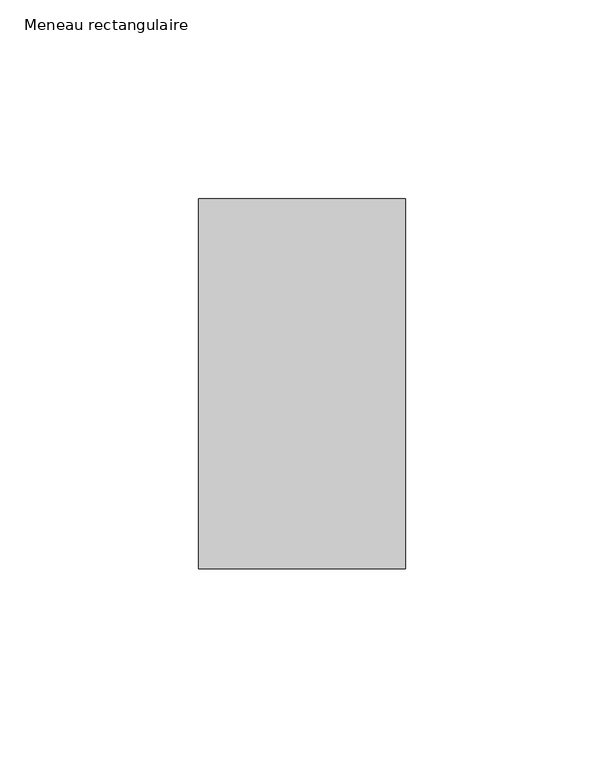
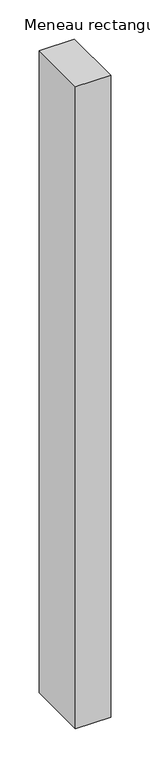
"""IFC4 building model written with IfcOpenShell, lengths in millimetres: member geometry, Meneau rectangulaire."""

from ifc_helpers import new_model, si_unit, frame, origin, place, context, project, spatial, polyline, outline, extrude, source, transform, mapped, element, save


def meneau_rectangulaire_8912769a(model_context):
    return source(origin(), model_context, "Body", "SweptSolid", [
        extrude(outline(polyline([(-52.0, 46.5), (0.0, 46.5), (0.0, -46.5), (-52.0, -46.5), (-52.0, 46.5)])), frame((0.0, 0.0, -1002.5497353), z_axis=(0.0, 0.0, 1.0), x_axis=(1.0, 0.0, 0.0)), (0.0, 0.0, 1.0), 1002.5497353),
    ])


if __name__ == "__main__":
    model = new_model("IFC4")
    model_context = context("Model", 3, world=origin())
    ifc_project = project(units=[si_unit("LENGTHUNIT", "METRE", prefix="MILLI")], contexts=[model_context])
    site = spatial("IfcSite", under=ifc_project)
    building = spatial("IfcBuilding", under=site)
    placement = place(None, origin())
    meneau_rectangulaire_shape = meneau_rectangulaire_8912769a(model_context)
    element("IfcMember", 1, ObjectType="Meneau rectangulaire", at=placement, inside=building, context=model_context, shape_type="MappedRepresentation", body=[
        mapped(meneau_rectangulaire_shape, transform((0.0, 0.0, 0.0), x_axis=(1.0, 0.0, 0.0), y_axis=(0.0, 1.0, 0.0), z_axis=(0.0, 0.0, 1.0))),
    ])
    save(model, "model.ifc")
